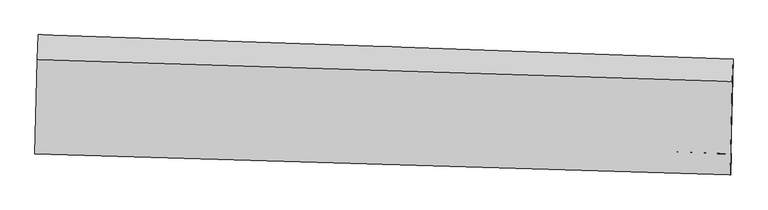
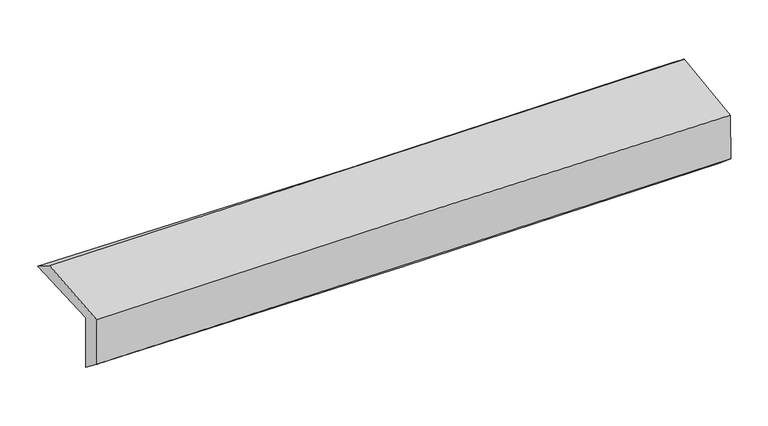
"""IFC4 building model written with IfcOpenShell, lengths in millimetres: proxy geometry."""

from ifc_helpers import new_model, si_unit, frame, origin, place, context, project, spatial, source, transform, mapped, element, save
from ifc_brep_helpers import plane_surface, spline_curve, spline_surface, advanced_brep


def generic_models_0a65fe40(model_context):
    return source(origin(), model_context, "Body", "AdvancedBrep", [
        advanced_brep(
        [(-2394.13518, -1720.1686338, 2009.2020524), (-2377.0945967, -1055.2672345, 2013.8802855), (2380.7580475, -1222.3075139, 2099.6224344), (2364.2510529, -1871.0187047, 2092.5466685), (-2388.528837, -1707.9727595, 1599.6454402), (2369.6312258, -1868.9398592, 1680.4610102), (-2394.2104684, -1867.5747481, 1721.6551349), (2364.293732, -2015.0378874, 1804.1806231), (-2399.0459376, -1873.2799587, 2084.4780417), (2359.6800365, -2015.9840866, 2159.2148758), (-2382.8573528, -1224.9384487, 2122.1274323), (2375.3043595, -1375.897773, 2217.5008652)],
        [
            (0, 1),
            (1, 2, spline_curve(3, [(-2377.0945967, -1055.2672345, 2013.8802855), (-1580.025044084, -1081.730383801, 2016.268983916), (-783.622609316, -1108.933079711, 2024.654255182), (802.319033472, -1164.62341439, 2053.318013555), (1591.867480136, -1193.100811419, 2073.513458732), (2380.7580475, -1222.3075139, 2099.6224344)], [4, 2, 4], [0.0, 7.838373751950633, 15.622284295652548])),
            (2, 3),
            (3, 0, spline_curve(3, [(2364.2510529, -1871.0187047, 2092.5466685), (1575.208338626, -1846.572574187, 2067.658843097), (785.539397032, -1821.82355424, 2048.274505361), (-800.580553302, -1771.544450772, 2020.415682583), (-1597.040355944, -1746.010113579, 2012.018481465), (-2394.13518, -1720.1686338, 2009.2020524)], [4, 2, 4], [0.0, 7.783910543701915, 15.622284295652548])),
            (4, 0),
            (3, 5),
            (5, 4, spline_curve(3, [(2369.6312258, -1868.9398592, 1680.4610102), (1574.102616043, -1839.21509333, 1656.634240263), (781.198137232, -1810.980337069, 1637.991566579), (-804.892066999, -1757.303713133, 1610.980244365), (-1598.040942576, -1731.882769546, 1602.684394584), (-2388.528837, -1707.9727595, 1599.6454402)], [4, 2, 4], [0.0, 7.783896895668939, 15.622256904092737])),
            (6, 4),
            (5, 7),
            (7, 6, spline_curve(3, [(2364.293732, -2015.0378874, 1804.1806231), (1575.160678285, -1989.103139219, 1788.977506415), (785.436647291, -1963.88749569, 1774.520190064), (-800.723120574, -1914.723017787, 1747.001221096), (-1597.167156398, -1890.78428158, 1733.950041128), (-2394.2104684, -1867.5747481, 1721.6551349)], [4, 2, 4], [0.0, 7.7837522418489, 15.621966584325003])),
            (8, 6),
            (7, 9),
            (9, 8, spline_curve(3, [(2359.6800365, -2015.9840866, 2159.2148758), (1570.346912889, -1992.531176402, 2154.585612503), (780.504145845, -1968.954602002, 2146.07819178), (-805.730688629, -1921.388295904, 2121.220373621), (-1602.129912869, -1897.396827797, 2104.815516579), (-2399.0459376, -1873.2799587, 2084.4780417)], [4, 2, 4], [0.0, 7.7836076647649275, 15.621676418566317])),
            (10, 8),
            (9, 11),
            (11, 10, spline_curve(3, [(2375.3043595, -1375.897773, 2217.5008652), (1586.142980361, -1351.591067997, 2202.375051583), (796.433079306, -1326.902962765, 2186.893311697), (-789.613122269, -1276.588543929, 2155.107165611), (-1585.95712534, -1250.956874331, 2138.797761106), (-2382.8573528, -1224.9384487, 2122.1274323)], [4, 2, 4], [0.0, 7.783610567219807, 15.62168224378425])),
            (1, 10),
            (11, 2),
        ],
        [
            spline_surface(3, 3, [[(-2394.13518, -1720.1686338, 2009.2020524), (-1597.04035604, -1746.010113534, 2012.018481566), (-800.580553301, -1771.544450721, 2020.41568258), (785.539397032, -1821.823554291, 2048.274505364), (1575.208338624, -1846.57257407, 2067.658843058), (2364.2510529, -1871.0187047, 2092.5466685)], [(-2388.454985559, -1498.534834056, 2010.761463434), (-1591.368585419, -1524.583536976, 2013.435315697), (-794.927905339, -1550.673993748, 2021.828540087), (791.132609202, -1602.756840986, 2049.955674776), (1580.761385823, -1628.748653231, 2069.610381624), (2369.753384448, -1654.781641111, 2094.905257122)], [(-2382.774791141, -1276.901034244, 2012.320874466), (-1585.69681482, -1303.15696035, 2014.852149827), (-789.275257363, -1329.803536738, 2023.241397611), (796.725821387, -1383.690127642, 2051.636844205), (1586.314432978, -1410.924732358, 2071.561920224), (2375.255715952, -1438.544577489, 2097.263845778)], [(-2377.0945967, -1055.2672345, 2013.8802855), (-1580.025044199, -1081.730383792, 2016.268983959), (-783.622609401, -1108.933079765, 2024.654255119), (802.319033557, -1164.623414336, 2053.318013617), (1591.867480177, -1193.100811519, 2073.51345879), (2380.7580475, -1222.3075139, 2099.6224344)]], [4, 4], [4, 2, 4], [0.0, 2.165867633985355], [0.0, 7.838373751950633, 15.622284295652548]),
            spline_surface(3, 3, [[(-2388.528837, -1707.9727595, 1599.6454402), (-1598.040942566, -1731.882769671, 1602.684394532), (-804.892067029, -1757.30371324, 1610.980244319), (781.198137262, -1810.980336963, 1637.991566625), (1574.102615963, -1839.215093304, 1656.634240141), (2369.6312258, -1868.9398592, 1680.4610102)], [(-2390.397617997, -1712.038050918, 1736.164310936), (-1597.707413722, -1736.591884276, 1739.129090212), (-803.454895785, -1762.05062571, 1747.458723728), (782.645223853, -1814.594742715, 1774.752546194), (1574.471190155, -1841.667586884, 1793.642441097), (2367.837834805, -1869.632807691, 1817.822896283)], [(-2392.266399003, -1716.103342382, 1872.683181664), (-1597.373884885, -1741.300998928, 1875.573785885), (-802.017724545, -1766.797538251, 1883.937203171), (784.09231044, -1818.209148539, 1911.513525796), (1574.839764432, -1844.120080491, 1930.650642103), (2366.044443895, -1870.325756209, 1955.184782417)], [(-2394.13518, -1720.1686338, 2009.2020524), (-1597.04035604, -1746.010113534, 2012.018481566), (-800.580553301, -1771.544450721, 2020.41568258), (785.539397032, -1821.823554291, 2048.274505364), (1575.208338624, -1846.57257407, 2067.658843058), (2364.2510529, -1871.0187047, 2092.5466685)]], [4, 4], [4, 2, 4], [0.0, 1.345378214650681], [0.0, 7.838360008423797, 15.622256904092737]),
            spline_surface(3, 3, [[(-2394.2104684, -1867.5747481, 1721.6551349), (-1597.167156374, -1890.784281568, 1733.950041157), (-800.723120569, -1914.723017751, 1747.001220997), (785.436647286, -1963.887495726, 1774.520190162), (1575.160678282, -1989.103139298, 1788.97750637), (2364.293732, -2015.0378874, 1804.1806231)], [(-2392.316591263, -1814.374085232, 1680.985236678), (-1597.458418434, -1837.817110934, 1690.194825626), (-802.112769402, -1862.249916253, 1701.660895426), (784.023810599, -1912.918442811, 1729.010648971), (1574.807990861, -1939.140457288, 1744.863084311), (2366.072896618, -1966.338544655, 1762.940752151)], [(-2390.422714137, -1761.173422368, 1640.315338422), (-1597.749680506, -1784.849940304, 1646.439610062), (-803.502418197, -1809.776814738, 1656.32056989), (782.610973949, -1861.949389878, 1683.501107816), (1574.455303384, -1889.177775314, 1700.7486622), (2367.852061182, -1917.639201945, 1721.700881149)], [(-2388.528837, -1707.9727595, 1599.6454402), (-1598.040942566, -1731.882769671, 1602.684394532), (-804.892067029, -1757.30371324, 1610.980244319), (781.198137262, -1810.980336963, 1637.991566625), (1574.102615963, -1839.215093304, 1656.634240141), (2369.6312258, -1868.9398592, 1680.4610102)]], [4, 4], [4, 2, 4], [0.0, 0.677701649731071], [0.0, 7.838214342476103, 15.621966584325003]),
            spline_surface(3, 3, [[(-2399.0459376, -1873.2799587, 2084.4780417), (-1602.129912945, -1897.396827856, 2104.815516518), (-805.730688675, -1921.388295923, 2121.220373678), (780.504145891, -1968.954601983, 2146.078191723), (1570.346912997, -1992.531176519, 2154.585612593), (2359.6800365, -2015.9840866, 2159.2148758)], [(-2397.434114546, -1871.378221854, 1963.537072739), (-1600.475660768, -1895.192645781, 1981.19369137), (-804.061499303, -1919.166536529, 1996.480656149), (782.148313026, -1967.26556656, 2022.225524567), (1571.951501417, -1991.388497457, 2032.716243831), (2361.217934992, -2015.668686878, 2040.870124879)], [(-2395.822291454, -1869.476484946, 1842.596103861), (-1598.821408551, -1892.988463643, 1857.571866305), (-802.392309941, -1916.944777146, 1871.740938526), (783.792480151, -1965.576531149, 1898.372857318), (1573.556089862, -1990.24581836, 1910.846875132), (2362.755833508, -2015.353287122, 1922.525374021)], [(-2394.2104684, -1867.5747481, 1721.6551349), (-1597.167156374, -1890.784281568, 1733.950041157), (-800.723120569, -1914.723017751, 1747.001220997), (785.436647286, -1963.887495726, 1774.520190162), (1575.160678282, -1989.103139298, 1788.97750637), (2364.293732, -2015.0378874, 1804.1806231)]], [4, 4], [4, 2, 4], [0.0, 1.2236779173201286], [0.0, 7.838068753801389, 15.621676418566317]),
            spline_surface(3, 3, [[(-2382.8573528, -1224.9384487, 2122.1274323), (-1585.957125221, -1250.95687427, 2138.797761059), (-789.613122151, -1276.588543917, 2155.107165595), (796.433079189, -1326.902962777, 2186.893311713), (1586.142980233, -1351.591067902, 2202.375051481), (2375.3043595, -1375.897773, 2217.5008652)], [(-2388.253547724, -1441.052285358, 2109.577635459), (-1591.348054453, -1466.43685879, 2127.470346237), (-794.9856443, -1491.521794583, 2143.811568286), (791.123434782, -1540.920175844, 2173.288271714), (1580.877624499, -1565.237770783, 2186.445238547), (2370.096251844, -1589.259877542, 2198.072202096)], [(-2393.649742676, -1657.166122042, 2097.027838541), (-1596.738983713, -1681.916843336, 2116.14293134), (-800.358166526, -1706.455045257, 2132.515970986), (785.813790298, -1754.937388916, 2159.683231723), (1575.612268731, -1778.884473639, 2170.515425527), (2364.888144156, -1802.621982058, 2178.643538904)], [(-2399.0459376, -1873.2799587, 2084.4780417), (-1602.129912945, -1897.396827856, 2104.815516518), (-805.730688675, -1921.388295923, 2121.220373678), (780.504145891, -1968.954601983, 2146.078191723), (1570.346912997, -1992.531176519, 2154.585612593), (2359.6800365, -2015.9840866, 2159.2148758)]], [4, 4], [4, 2, 4], [0.0, 2.1152107665067943], [0.0, 7.838071676564443, 15.62168224378425]),
            spline_surface(3, 3, [[(-2377.0945967, -1055.2672345, 2013.8802855), (-1580.025044199, -1081.730383792, 2016.268983959), (-783.622609401, -1108.933079765, 2024.654255119), (802.319033557, -1164.623414336, 2053.318013617), (1591.867480177, -1193.100811519, 2073.51345879), (2380.7580475, -1222.3075139, 2099.6224344)], [(-2379.01551541, -1111.824305882, 2049.962667755), (-1582.002404549, -1138.139213933, 2057.111909647), (-785.619446997, -1164.818234494, 2068.138558611), (800.357048755, -1218.716597161, 2097.843112982), (1589.959313521, -1245.93089697, 2116.467323022), (2378.940151492, -1273.504266924, 2138.915244669)], [(-2380.93643409, -1168.381377318, 2086.045050045), (-1583.979764871, -1194.548044129, 2097.954835371), (-787.616284555, -1220.703389188, 2111.622862103), (798.395063991, -1272.809779952, 2142.368212348), (1588.051146888, -1298.76098245, 2159.421187248), (2377.122255508, -1324.701019976, 2178.208054931)], [(-2382.8573528, -1224.9384487, 2122.1274323), (-1585.957125221, -1250.95687427, 2138.797761059), (-789.613122151, -1276.588543917, 2155.107165595), (796.433079189, -1326.902962777, 2186.893311713), (1586.142980233, -1351.591067902, 2202.375051481), (2375.3043595, -1375.897773, 2217.5008652)]], [4, 4], [4, 2, 4], [0.0, 0.6934961774295807], [0.0, 7.838188466729465, 15.621915012623635]),
            plane_surface(frame((2368.986409, -1728.1976375, 2008.9210795), z_axis=(0.9995893580577181, -0.025576321840017673, 0.012921571843043387), x_axis=(0.01299392818048481, 0.002664858150803972, -0.9999120243108773))),
            plane_surface(frame((-2389.3120621, -1574.8669639, 1925.1647312), z_axis=(-0.9995860057118038, 0.02570901499476725, -0.012917574583519675), x_axis=(-0.025619690873097067, -0.9996470183841326, -0.007033496661029635))),
        ],
        [
            (0, [[1, 2, 3, 4]]),
            (1, [[5, -4, 6, 7]]),
            (2, [[8, -7, 9, 10]]),
            (3, [[11, -10, 12, 13]]),
            (4, [[14, -13, 15, 16]]),
            (5, [[17, -16, 18, -2]]),
            (6, [[-12, -9, -6, -3, -18, -15]]),
            (7, [[-1, -5, -8, -11, -14, -17]]),
        ],
    ),
    ])


if __name__ == "__main__":
    model = new_model("IFC4")
    model_context = context("Model", 3, world=origin())
    ifc_project = project(units=[si_unit("LENGTHUNIT", "METRE", prefix="MILLI")], contexts=[model_context])
    site = spatial("IfcSite", under=ifc_project)
    building = spatial("IfcBuilding", under=site)
    placement = place(None, origin())
    generic_models_shape = generic_models_0a65fe40(model_context)
    element("IfcBuildingElementProxy", 1, Name="Generic Models", at=placement, inside=building, context=model_context, shape_type="MappedRepresentation", body=[
        mapped(generic_models_shape, transform((0.0, 0.0, 0.0), x_axis=(1.0, 0.0, 0.0), y_axis=(0.0, 1.0, 0.0), z_axis=(0.0, 0.0, 1.0))),
    ])
    save(model, "model.ifc")
